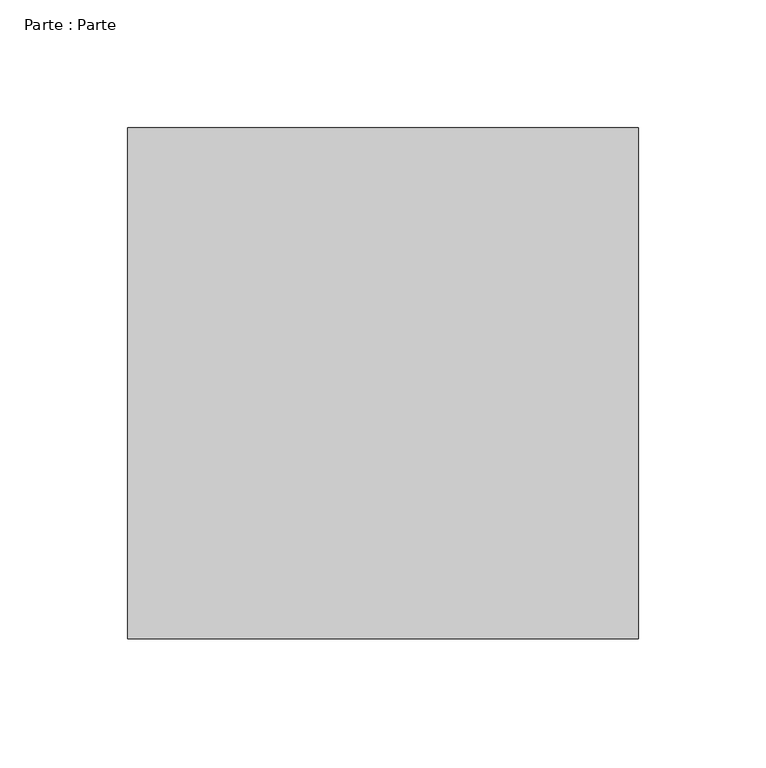
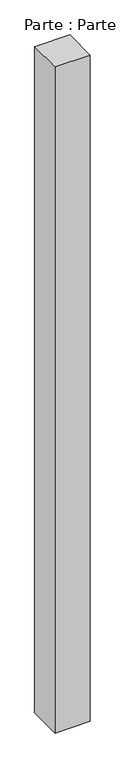
"""IFC4 building model written with IfcOpenShell, lengths in millimetres: proxy geometry, Parte : Parte."""

from ifc_helpers import new_model, si_unit, frame, origin, place, context, project, spatial, polyline, outline, extrude, source, transform, mapped, element, save


def parte_parte_8b1b7bdb(model_context):
    return source(origin(), model_context, "Body", "SweptSolid", [
        extrude(outline(polyline([(-506.8635384, 621.025111), (-506.8635384, 421.025111), (-706.8635384, 421.025111), (-706.8635384, 621.025111), (-506.8635384, 621.025111)])), frame((0.0, 0.0, 24000.0), z_axis=(0.0, 0.0, 1.0), x_axis=(1.0, 0.0, 0.0)), (0.0, 0.0, 1.0), 4000.0),
    ])


if __name__ == "__main__":
    model = new_model("IFC4")
    model_context = context("Model", 3, world=origin())
    ifc_project = project(units=[si_unit("LENGTHUNIT", "METRE", prefix="MILLI")], contexts=[model_context])
    site = spatial("IfcSite", under=ifc_project)
    building = spatial("IfcBuilding", under=site)
    placement = place(None, origin())
    parte_parte_shape = parte_parte_8b1b7bdb(model_context)
    element("IfcBuildingElementProxy", 1, Name="Parte : Parte", ObjectType="Parte : Parte", at=placement, inside=building, context=model_context, shape_type="MappedRepresentation", body=[
        mapped(parte_parte_shape, transform((0.0, 0.0, 0.0), x_axis=(1.0, 0.0, 0.0), y_axis=(0.0, 1.0, 0.0), z_axis=(0.0, 0.0, 1.0))),
    ])
    save(model, "model.ifc")
